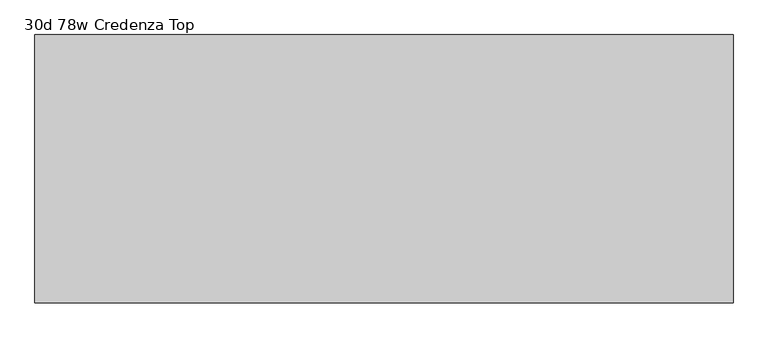
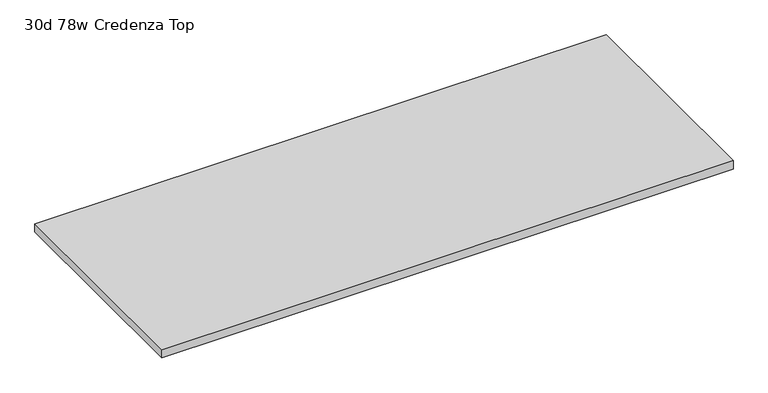
"""IFC4 building model written with IfcOpenShell, lengths in millimetres: furniture geometry, 30d 78w Credenza Top."""

from ifc_helpers import new_model, si_unit, frame, origin, place, context, project, spatial, polyline, outline, extrude, source, transform, mapped, element, save


def furniture_30d_78w_credenza_top_bb40b08d(model_context):
    return source(origin(), model_context, "Body", "SweptSolid", [
        extrude(outline(polyline([(990.6, -381.0), (-990.6, -381.0), (-990.6, 381.0), (990.6, 381.0), (990.6, -381.0)])), frame((0.0, 0.0, 706.4375), z_axis=(0.0, 0.0, 1.0), x_axis=(1.0, 0.0, 0.0)), (0.0, 0.0, 1.0), 30.1625),
    ])


if __name__ == "__main__":
    model = new_model("IFC4")
    model_context = context("Model", 3, world=origin())
    ifc_project = project(units=[si_unit("LENGTHUNIT", "METRE", prefix="MILLI")], contexts=[model_context])
    site = spatial("IfcSite", under=ifc_project)
    building = spatial("IfcBuilding", under=site)
    placement = place(None, origin())
    furniture_30d_78w_credenza_top_shape = furniture_30d_78w_credenza_top_bb40b08d(model_context)
    element("IfcFurniture", 1, ObjectType="30d 78w Credenza Top", at=placement, inside=building, context=model_context, shape_type="MappedRepresentation", body=[
        mapped(furniture_30d_78w_credenza_top_shape, transform((0.0, 0.0, 0.0), x_axis=(1.0, 0.0, 0.0), y_axis=(0.0, 1.0, 0.0), z_axis=(0.0, 0.0, 1.0))),
    ])
    save(model, "model.ifc")
